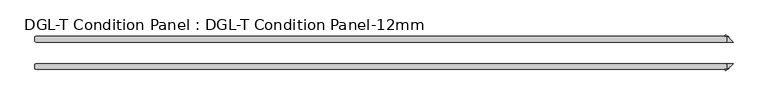
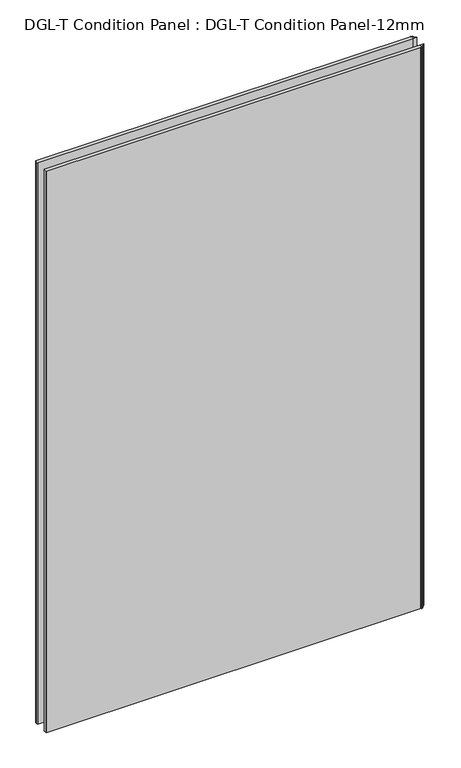
"""IFC4 building model written with IfcOpenShell, lengths in millimetres: plate geometry, DGL-T Condition Panel : DGL-T Condition Panel-12mm."""

from ifc_helpers import new_model, si_unit, origin, origin_with_axes, place, context, project, spatial, polyline, outline, extrude, source, transform, mapped, element, save


def dgl_t_condition_panel_dgl_t_condition_panel_12mm_1bbb7a48(model_context):
    return source(origin(), model_context, "Body", "SweptSolid", [
        extrude(outline(polyline([(745.3330201, -24.60625), (743.7455201, -23.01875), (758.0330201, -23.01875), (742.6229881, -38.428782), (739.9129561, -35.71875), (743.7455201, -35.71875), (745.3330201, -34.13125), (745.3330201, -24.60625)])), origin_with_axes(), (0.0, 0.0, 1.0), 2339.4622278),
        extrude(outline(polyline([(745.3330201, 24.60625), (745.3330201, 34.13125), (743.7455201, 35.71875), (739.9129561, 35.71875), (742.6229881, 38.428782), (758.0330201, 23.01875), (743.7455201, 23.01875), (745.3330201, 24.60625)])), origin_with_axes(), (0.0, 0.0, 1.0), 2339.4622278),
        extrude(outline(polyline([(746.9205201, -23.01875), (748.5080201, -24.60625), (748.5080201, -34.13125), (746.9205201, -35.71875), (-737.3955201, -35.71875), (-738.9830201, -34.13125), (-738.9830201, -24.60625), (-737.3955201, -23.01875), (746.9205201, -23.01875)])), origin_with_axes(), (0.0, 0.0, 1.0), 2339.4622278),
        extrude(outline(polyline([(746.9205201, 35.71875), (748.5080201, 34.13125), (748.5080201, 24.60625), (746.9205201, 23.01875), (-737.3955201, 23.01875), (-738.9830201, 24.60625), (-738.9830201, 34.13125), (-737.3955201, 35.71875), (746.9205201, 35.71875)])), origin_with_axes(), (0.0, 0.0, 1.0), 2339.4622278),
    ])


if __name__ == "__main__":
    model = new_model("IFC4")
    model_context = context("Model", 3, world=origin())
    ifc_project = project(units=[si_unit("LENGTHUNIT", "METRE", prefix="MILLI")], contexts=[model_context])
    site = spatial("IfcSite", under=ifc_project)
    building = spatial("IfcBuilding", under=site)
    placement = place(None, origin())
    dgl_t_condition_panel_dgl_t_condition_panel_12mm_shape = dgl_t_condition_panel_dgl_t_condition_panel_12mm_1bbb7a48(model_context)
    element("IfcPlate", 1, ObjectType="DGL-T Condition Panel : DGL-T Condition Panel-12mm", at=placement, inside=building, context=model_context, shape_type="MappedRepresentation", body=[
        mapped(dgl_t_condition_panel_dgl_t_condition_panel_12mm_shape, transform((0.0, 0.0, 0.0), x_axis=(1.0, 0.0, 0.0), y_axis=(0.0, 1.0, 0.0), z_axis=(0.0, 0.0, 1.0))),
    ])
    save(model, "model.ifc")
